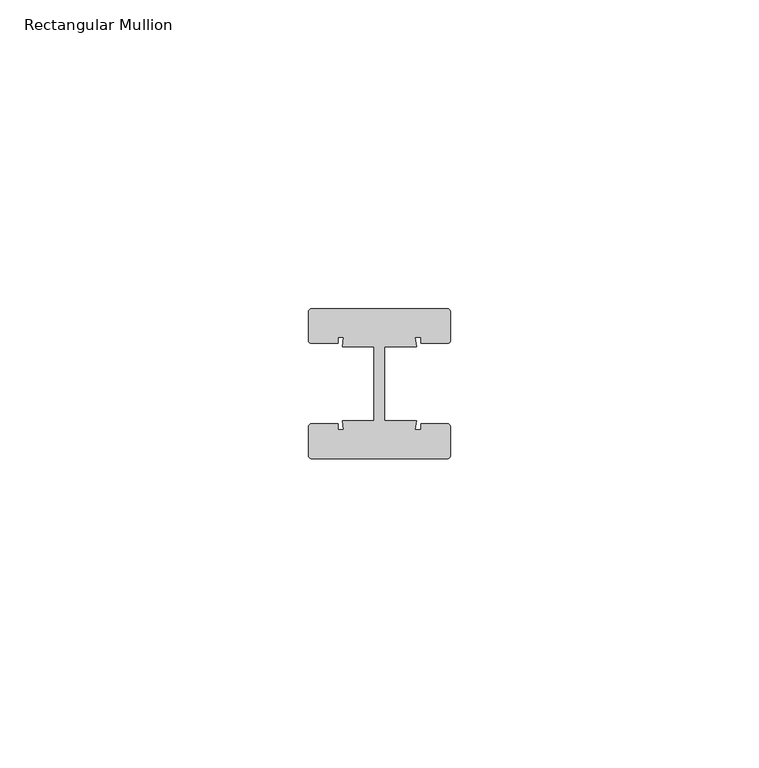
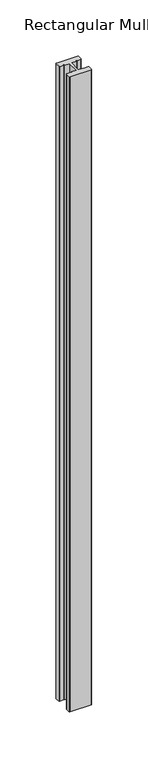
"""IFC4 building model written with IfcOpenShell, lengths in millimetres: member geometry, Rectangular Mullion."""

from ifc_helpers import new_model, si_unit, point, frame, frame_2d, origin, place, context, project, spatial, polyline, circle_curve, trimmed, segment, composite_curve, outline, extrude, source, transform, mapped, element, save


def rectangular_mullion_f881ed81(model_context):
    return source(origin(), model_context, "Body", "SweptSolid", [
        extrude(outline(composite_curve([segment(trimmed(circle_curve(frame_2d((-11.0, 11.64)), 0.5), [point((-11.5, 11.64))], [point((-11.0, 12.14))], False, "CARTESIAN"), True, "CONTINUOUS"), segment(polyline([(-11.0, 12.14), (11.0, 12.14)]), True, "CONTINUOUS"), segment(trimmed(circle_curve(frame_2d((11.0, 11.64)), 0.5), [point((11.0, 12.14))], [point((11.5, 11.64))], False, "CARTESIAN"), True, "CONTINUOUS"), segment(polyline([(11.5, 11.64), (11.5, 7.0)]), True, "CONTINUOUS"), segment(trimmed(circle_curve(frame_2d((11.0, 7.0)), 0.5), [point((11.5, 7.0))], [point((11.0, 6.5))], False, "CARTESIAN"), True, "CONTINUOUS"), segment(polyline([(11.0, 6.5), (6.75, 6.5), (6.75, 7.5), (5.7984177, 7.5), (6.0, 6.0), (0.840625, 6.0), (0.840625, -6.0), (6.0, -6.0), (5.7984177, -7.5), (6.75, -7.5), (6.75, -6.5), (11.0, -6.5)]), True, "CONTINUOUS"), segment(trimmed(circle_curve(frame_2d((11.0, -7.0)), 0.5), [point((11.0, -6.5))], [point((11.5, -7.0))], False, "CARTESIAN"), True, "CONTINUOUS"), segment(polyline([(11.5, -7.0), (11.5, -11.64)]), True, "CONTINUOUS"), segment(trimmed(circle_curve(frame_2d((11.0, -11.64)), 0.5), [point((11.5, -11.64))], [point((11.0, -12.14))], False, "CARTESIAN"), True, "CONTINUOUS"), segment(polyline([(11.0, -12.14), (-11.0, -12.14)]), True, "CONTINUOUS"), segment(trimmed(circle_curve(frame_2d((-11.0, -11.64)), 0.5), [point((-11.0, -12.14))], [point((-11.5, -11.64))], False, "CARTESIAN"), True, "CONTINUOUS"), segment(polyline([(-11.5, -11.64), (-11.5, -7.0)]), True, "CONTINUOUS"), segment(trimmed(circle_curve(frame_2d((-11.0, -7.0)), 0.5), [point((-11.5, -7.0))], [point((-11.0, -6.5))], False, "CARTESIAN"), True, "CONTINUOUS"), segment(polyline([(-11.0, -6.5), (-6.75, -6.5), (-6.75, -7.5), (-5.7984177, -7.5), (-6.0, -6.0), (-0.840625, -6.0), (-0.840625, 6.0), (-6.0, 6.0), (-5.7984177, 7.5), (-6.75, 7.5), (-6.75, 6.5), (-11.0, 6.5)]), True, "CONTINUOUS"), segment(trimmed(circle_curve(frame_2d((-11.0, 7.0)), 0.5), [point((-11.0, 6.5))], [point((-11.5, 7.0))], False, "CARTESIAN"), True, "CONTINUOUS"), segment(polyline([(-11.5, 7.0), (-11.5, 11.64)]), True, "CONTINUOUS")], self_intersect=False)), frame((0.0, 0.0, -690.4078792), z_axis=(0.0, 0.0, 1.0), x_axis=(1.0, 0.0, 0.0)), (0.0, 0.0, 1.0), 690.4078792),
    ])


if __name__ == "__main__":
    model = new_model("IFC4")
    model_context = context("Model", 3, world=origin())
    ifc_project = project(units=[si_unit("LENGTHUNIT", "METRE", prefix="MILLI")], contexts=[model_context])
    site = spatial("IfcSite", under=ifc_project)
    building = spatial("IfcBuilding", under=site)
    placement = place(None, origin())
    rectangular_mullion_shape = rectangular_mullion_f881ed81(model_context)
    element("IfcMember", 1, ObjectType="Rectangular Mullion", at=placement, inside=building, context=model_context, shape_type="MappedRepresentation", body=[
        mapped(rectangular_mullion_shape, transform((0.0, 0.0, 0.0), x_axis=(1.0, 0.0, 0.0), y_axis=(0.0, 1.0, 0.0), z_axis=(0.0, 0.0, 1.0))),
    ])
    save(model, "model.ifc")
